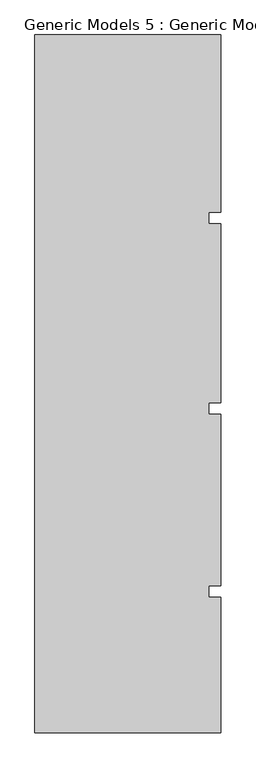
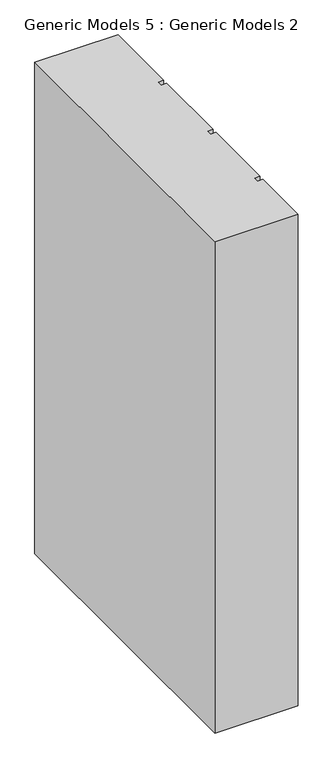
"""IFC4 building model written with IfcOpenShell, lengths in millimetres: proxy geometry, Generic Models 5 : Generic Models 2."""

from ifc_helpers import new_model, si_unit, frame, origin, place, context, project, spatial, polyline, outline, extrude, source, transform, mapped, element, save


def generic_models_5_generic_models_2_1bb61060(model_context):
    return source(origin(), model_context, "Body", "SweptSolid", [
        extrude(outline(polyline([(6158.9891931, -239.4418036), (6646.0314083, -239.4418036), (6646.0314083, -703.851216), (6614.3889077, -703.851216), (6614.3889077, -733.8846489), (6646.0314083, -733.8846489), (6646.0314083, -1203.851216), (6614.3889077, -1203.851216), (6614.3889077, -1233.8846489), (6646.0314083, -1233.8846489), (6646.0314083, -1683.851216), (6614.3889077, -1683.851216), (6614.3889077, -1713.8846489), (6646.0314083, -1713.8846489), (6646.0314083, -2068.9906388), (6158.9891931, -2068.9906388), (6158.9891931, -239.4418036)])), frame((0.0, 0.0, 3000.0), z_axis=(0.0, 0.0, 1.0), x_axis=(1.0, 0.0, 0.0)), (0.0, 0.0, 1.0), 3044.7067261),
    ])


if __name__ == "__main__":
    model = new_model("IFC4")
    model_context = context("Model", 3, world=origin())
    ifc_project = project(units=[si_unit("LENGTHUNIT", "METRE", prefix="MILLI")], contexts=[model_context])
    site = spatial("IfcSite", under=ifc_project)
    building = spatial("IfcBuilding", under=site)
    placement = place(None, origin())
    generic_models_5_generic_models_2_shape = generic_models_5_generic_models_2_1bb61060(model_context)
    element("IfcBuildingElementProxy", 1, Name="Generic Models 5 : Generic Models 2", ObjectType="Generic Models 5 : Generic Models 2", at=placement, inside=building, context=model_context, shape_type="MappedRepresentation", body=[
        mapped(generic_models_5_generic_models_2_shape, transform((0.0, 0.0, 0.0), x_axis=(1.0, 0.0, 0.0), y_axis=(0.0, 1.0, 0.0), z_axis=(0.0, 0.0, 1.0))),
    ])
    save(model, "model.ifc")
